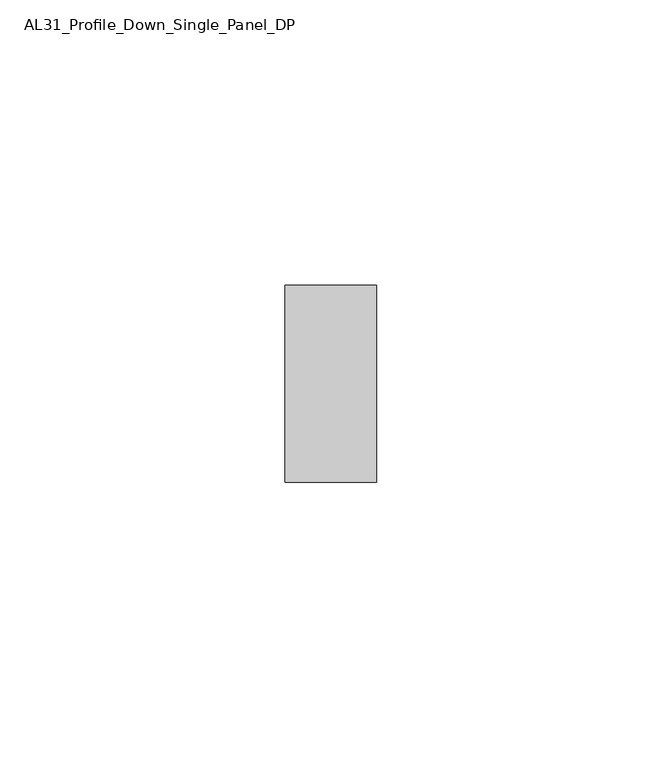
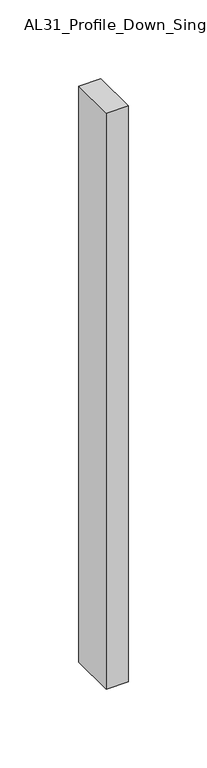
"""IFC4 building model written with IfcOpenShell, lengths in millimetres: member geometry, AL31_Profile_Down_Single_Panel_DP."""

from ifc_helpers import new_model, si_unit, frame, origin, place, context, project, spatial, polyline, outline, extrude, source, transform, mapped, element, save


def al31_profile_down_single_panel_dp_dfbfae1a(model_context):
    return source(origin(), model_context, "Body", "SweptSolid", [
        extrude(outline(polyline([(0.0, 37.107), (0.0, 2.607), (-16.0427074, 2.607), (-16.0427074, 37.107), (0.0, 37.107)])), frame((0.0, 0.0, -445.6751955), z_axis=(0.0, 0.0, 1.0), x_axis=(1.0, 0.0, 0.0)), (0.0, 0.0, 1.0), 445.6751955),
    ])


if __name__ == "__main__":
    model = new_model("IFC4")
    model_context = context("Model", 3, world=origin())
    ifc_project = project(units=[si_unit("LENGTHUNIT", "METRE", prefix="MILLI")], contexts=[model_context])
    site = spatial("IfcSite", under=ifc_project)
    building = spatial("IfcBuilding", under=site)
    placement = place(None, origin())
    al31_profile_down_single_panel_dp_shape = al31_profile_down_single_panel_dp_dfbfae1a(model_context)
    element("IfcMember", 1, ObjectType="AL31_Profile_Down_Single_Panel_DP", at=placement, inside=building, context=model_context, shape_type="MappedRepresentation", body=[
        mapped(al31_profile_down_single_panel_dp_shape, transform((0.0, 0.0, 0.0), x_axis=(1.0, 0.0, 0.0), y_axis=(0.0, 1.0, 0.0), z_axis=(0.0, 0.0, 1.0))),
    ])
    save(model, "model.ifc")
